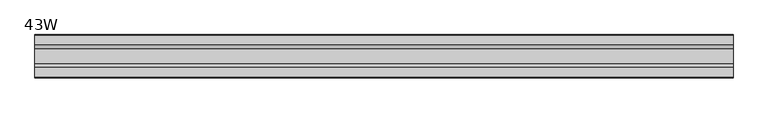
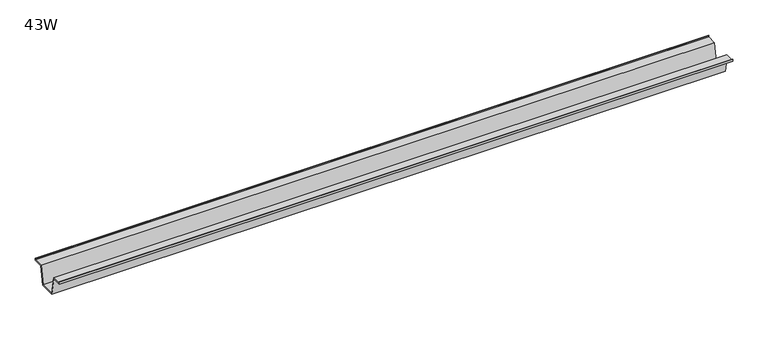
"""IFC4 building model written with IfcOpenShell, lengths in millimetres: furniture geometry, 43W."""

import ifcopenshell
import ifcopenshell.guid

model = None  # the IFC model being written
_history = None  # IfcOwnerHistory: only IFC2X3 demands one
_inside = {}  # id of a spatial element -> (the spatial element, [elements in it])
_under = {}  # id of a project, library or spatial element -> (it, [spatial elements below it])
_declared = {}  # id of a project -> (the project, [libraries it declares])
_typed = {}  # id of a type object -> (the type object, [elements of that type])
_made_of = {}  # id of a material, layer set ... -> (it, [elements and type objects made of it])


def new_model(schema):
    """Start an empty IFC model of exactly this schema.

    Asked for "IFC4X3", IfcOpenShell would pick the latest addendum, in which some entities
    have other attributes; the version numbers below select the first issue.
    IFC2X3 requires an IfcOwnerHistory on every rooted entity: one is made here for all.
    """
    global model, _history
    if schema == "IFC4X3":
        model = ifcopenshell.file(schema_version=(4, 3, 0, 0))
    else:
        model = ifcopenshell.file(schema=schema)
    _inside.clear()
    _under.clear()
    _declared.clear()
    _typed.clear()
    _made_of.clear()
    _history = None
    if model.schema == "IFC2X3":
        org = make("IfcOrganization", Name="unknown")
        user = make(
            "IfcPersonAndOrganization",
            ThePerson=make("IfcPerson", FamilyName="unknown"),
            TheOrganization=org,
        )
        app = make(
            "IfcApplication",
            ApplicationDeveloper=org,
            Version="unknown",
            ApplicationFullName="unknown",
            ApplicationIdentifier="unknown",
        )
        _history = make(
            "IfcOwnerHistory",
            OwningUser=user,
            OwningApplication=app,
            ChangeAction="ADDED",
            CreationDate=0,
        )
    return model


def make(cls, **values):
    """One entity of the class cls with the attributes given. An attribute that is None is left unset."""
    return model.create_entity(
        cls, **{name: value for name, value in values.items() if value is not None}
    )


def rooted(cls, **values):
    """An entity with a GlobalId (a new one), such as an element, a storey or a relation."""
    return make(cls, GlobalId=ifcopenshell.guid.new(), OwnerHistory=_history, **values)


def si_unit(unit_type, name, prefix=None):
    """IfcSIUnit, for example si_unit("LENGTHUNIT", "METRE", prefix="MILLI")."""
    return make("IfcSIUnit", UnitType=unit_type, Prefix=prefix, Name=name)


def assignment(units):
    """IfcUnitAssignment: the units of a project."""
    return None if units is None else make("IfcUnitAssignment", Units=units)


def point(xyz):
    """IfcCartesianPoint."""
    return None if xyz is None else make("IfcCartesianPoint", Coordinates=xyz)


def direction(xyz):
    """IfcDirection."""
    return None if xyz is None else make("IfcDirection", DirectionRatios=xyz)


def frame(location, z_axis=None, x_axis=None):
    """IfcAxis2Placement3D, a coordinate frame: its origin and axes. An axis left out is left unset."""
    return make(
        "IfcAxis2Placement3D",
        Location=point(location),
        Axis=direction(z_axis),
        RefDirection=direction(x_axis),
    )


def origin():
    """The frame at (0, 0, 0) with its axes left unset."""
    return frame((0.0, 0.0, 0.0))


def place(relative_to, where):
    """IfcLocalPlacement: puts the frame where relative to a parent placement (None: the world)."""
    return make(
        "IfcLocalPlacement", PlacementRelTo=relative_to, RelativePlacement=where
    )


def context(
    kind, dimensions, precision=None, world=None, true_north=None, identifier=None
):
    """IfcGeometricRepresentationContext, for example the 3D "Model" context."""
    return make(
        "IfcGeometricRepresentationContext",
        ContextIdentifier=identifier,
        ContextType=kind,
        CoordinateSpaceDimension=dimensions,
        Precision=precision,
        WorldCoordinateSystem=world,
        TrueNorth=true_north,
    )


def project(units=None, contexts=None):
    """IfcProject with its units and contexts."""
    return rooted(
        "IfcProject",
        Name="project",
        RepresentationContexts=contexts,
        UnitsInContext=assignment(units),
    )


def spatial(cls, under=None, at=None, **own):
    """A site, building, storey or space (cls), placed at a placement, below another one or the project."""
    s = rooted(cls, ObjectPlacement=at, **own)
    if under is not None:
        _under.setdefault(under.id(), (under, []))[1].append(s)
    return s


def polyline(points):
    """IfcPolyline through the points."""
    return make("IfcPolyline", Points=[point(p) for p in points])


def outline(outer, holes=None, kind="AREA"):
    """IfcArbitraryClosedProfileDef: a profile drawn as a closed curve; with holes, ...WithVoids."""
    if holes is None:
        return make("IfcArbitraryClosedProfileDef", ProfileType=kind, OuterCurve=outer)
    return make(
        "IfcArbitraryProfileDefWithVoids",
        ProfileType=kind,
        OuterCurve=outer,
        InnerCurves=holes,
    )


def extrude(swept, where, along, depth):
    """IfcExtrudedAreaSolid: the profile swept, set in the frame where, extruded along a direction by depth."""
    return make(
        "IfcExtrudedAreaSolid",
        SweptArea=swept,
        Position=where,
        ExtrudedDirection=direction(along),
        Depth=depth,
    )


def shape(context_of_items, identifier, shape_type, items):
    """IfcShapeRepresentation: the items that make up one representation, for example the "Body"."""
    return make(
        "IfcShapeRepresentation",
        ContextOfItems=context_of_items,
        RepresentationIdentifier=identifier,
        RepresentationType=shape_type,
        Items=items,
    )


def source(mapping_origin, context_of_items, identifier, shape_type, items):
    """IfcRepresentationMap: a shape defined once, which mapped items show again and again."""
    return make(
        "IfcRepresentationMap",
        MappingOrigin=mapping_origin,
        MappedRepresentation=shape(context_of_items, identifier, shape_type, items),
    )


def transform(
    local_origin,
    x_axis=None,
    y_axis=None,
    z_axis=None,
    scale=None,
    scale2=None,
    scale3=None,
    uniform=True,
):
    """IfcCartesianTransformationOperator3D, or its non-uniform kind. x_axis, y_axis, z_axis: its Axis1, 2, 3."""
    if uniform:
        return make(
            "IfcCartesianTransformationOperator3D",
            Axis1=direction(x_axis),
            Axis2=direction(y_axis),
            LocalOrigin=point(local_origin),
            Scale=scale,
            Axis3=direction(z_axis),
        )
    return make(
        "IfcCartesianTransformationOperator3DnonUniform",
        Axis1=direction(x_axis),
        Axis2=direction(y_axis),
        LocalOrigin=point(local_origin),
        Scale=scale,
        Axis3=direction(z_axis),
        Scale2=scale2,
        Scale3=scale3,
    )


def mapped(mapping_source, mapping_target):
    """IfcMappedItem: shows the shape of a source again, moved by a transform."""
    return make(
        "IfcMappedItem", MappingSource=mapping_source, MappingTarget=mapping_target
    )


def made_of(thing, what):
    """Note that an element or type object is made of a material, layer set ...; save() writes the relation."""
    if what is not None:
        _made_of.setdefault(what.id(), (what, []))[1].append(thing)
    return thing


def element(
    cls,
    number,
    at=None,
    inside=None,
    cuts=None,
    type_object=None,
    material=None,
    context=None,
    identifier="Body",
    shape_type=None,
    held_by="IfcProductDefinitionShape",
    body=None,
    shapes=None,
    **own,
):
    """One element of the class cls, such as IfcWall. Its Tag is "e" and its number.

    at: its placement. inside: the storey or other place that contains it. cuts: it is an
    opening in that element (IfcRelVoidsElement). A single representation is given by context,
    identifier, shape_type and body (its items); several are given by shapes. held_by: the class
    of the entity that holds the representations. save() writes the other relations.
    """
    e = rooted(cls, Tag="e%d" % number, ObjectPlacement=at, **own)
    if body is not None:
        shapes = [shape(context, identifier, shape_type, body)]
    if shapes is not None:
        e.Representation = make(held_by, Representations=shapes)
    if inside is not None:
        _inside.setdefault(inside.id(), (inside, []))[1].append(e)
    if cuts is not None:
        rooted(
            "IfcRelVoidsElement", RelatingBuildingElement=cuts, RelatedOpeningElement=e
        )
    if type_object is not None:
        _typed.setdefault(type_object.id(), (type_object, []))[1].append(e)
    return made_of(e, material)


def aggregate(whole, parts):
    """IfcRelAggregates: a whole, such as a stair, and the parts it consists of."""
    return rooted("IfcRelAggregates", RelatingObject=whole, RelatedObjects=parts)


def save(model, path):
    """Write the relations noted so far, then the file.

    IfcRelAggregates (storeys below a building ...), IfcRelContainedInSpatialStructure (elements
    in a storey), IfcRelDefinesByType, IfcRelAssociatesMaterial and IfcRelDeclares: one each for
    every whole, place, type object, material and project.
    """
    for whole, parts in _under.values():
        aggregate(whole, parts)
    for where, things in _inside.values():
        rooted(
            "IfcRelContainedInSpatialStructure",
            RelatedElements=things,
            RelatingStructure=where,
        )
    for kind, things in _typed.values():
        rooted("IfcRelDefinesByType", RelatedObjects=things, RelatingType=kind)
    for what, things in _made_of.values():
        rooted("IfcRelAssociatesMaterial", RelatedObjects=things, RelatingMaterial=what)
    for by, libraries in _declared.values():
        rooted("IfcRelDeclares", RelatingContext=by, RelatedDefinitions=libraries)
    model.write(path)


def furniture_43w_1b066044(model_context):
    return source(origin(), model_context, "Body", "SweptSolid", [
        extrude(outline(polyline([(-22.9397721, 682.625), (-28.502372, 652.3990007), (-53.9023728, 652.3990007), (-59.4649727, 682.625), (-75.3653716, 682.625), (-75.3653716, 685.8), (-74.5716216, 685.8), (-74.5716216, 683.41875), (-58.8172994, 683.41875), (-53.2546995, 653.1927507), (-29.1500453, 653.1927507), (-23.5874454, 683.41875), (-7.8331232, 683.41875), (-7.8331232, 685.8), (-7.0393732, 685.8), (-7.0393732, 682.625), (-22.9397721, 682.625)])), frame((-549.91, 0.0, 0.0), z_axis=(1.0, 0.0, 0.0), x_axis=(0.0, 1.0, 0.0)), (0.0, 0.0, 1.0), 1099.82),
    ])


if __name__ == "__main__":
    model = new_model("IFC4")
    model_context = context("Model", 3, world=origin())
    ifc_project = project(units=[si_unit("LENGTHUNIT", "METRE", prefix="MILLI")], contexts=[model_context])
    site = spatial("IfcSite", under=ifc_project)
    building = spatial("IfcBuilding", under=site)
    placement = place(None, origin())
    furniture_43w_shape = furniture_43w_1b066044(model_context)
    element("IfcFurniture", 1, ObjectType="43W", at=placement, inside=building, context=model_context, shape_type="MappedRepresentation", body=[
        mapped(furniture_43w_shape, transform((0.0, 0.0, 0.0), x_axis=(1.0, 0.0, 0.0), y_axis=(0.0, 1.0, 0.0), z_axis=(0.0, 0.0, 1.0))),
    ])
    save(model, "model.ifc")
